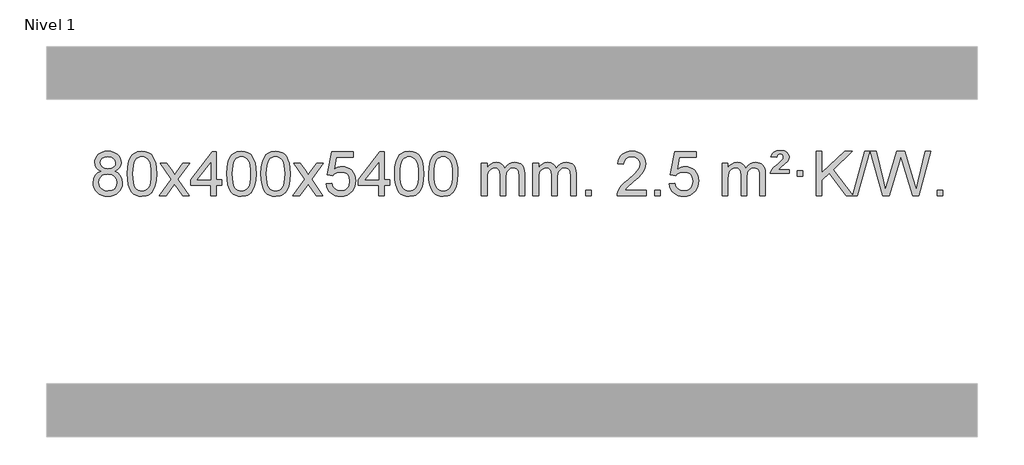
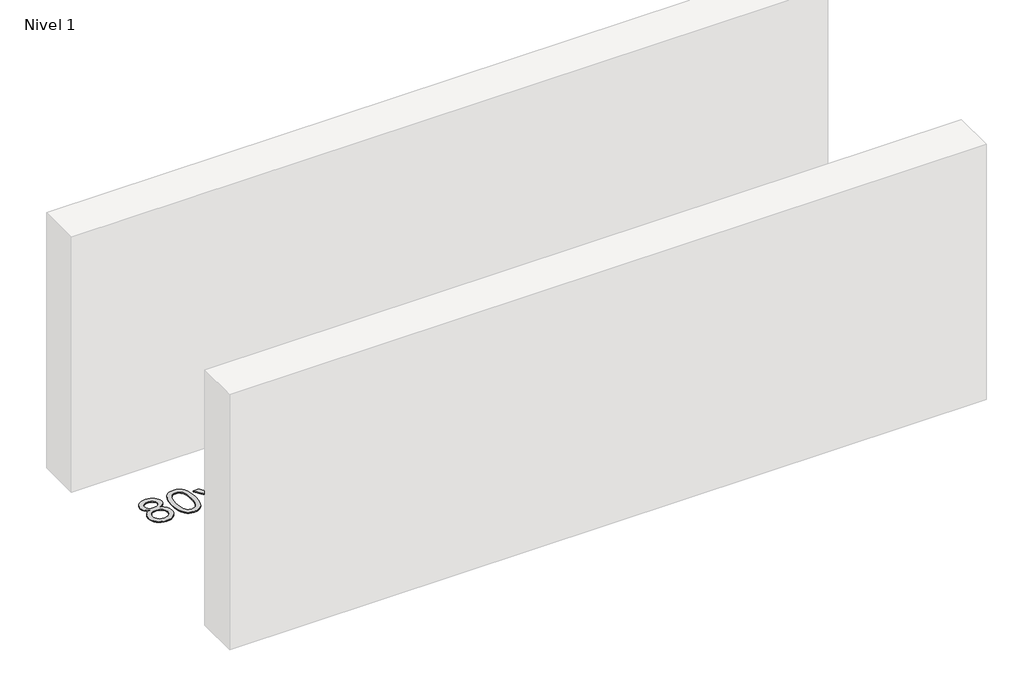
# One storey, part 13 of 15: 1 proxy.
"""IFC4 building model written with IfcOpenShell, lengths in millimetres."""

from ifc_helpers import new_model, si_unit, origin, origin_with_axes, place, context, project, spatial, polyline, outline, extrude, element, save

model = new_model("IFC4")

# Units and contexts
model_context = context("Model", 3, world=origin())
ifc_project = project(units=[si_unit("LENGTHUNIT", "METRE", prefix="MILLI")], contexts=[model_context])

# Site, building, storey
site = spatial("IfcSite", under=ifc_project)
building = spatial("IfcBuilding", under=site)
storey = spatial("IfcBuildingStorey", under=building, Name="Nivel 1", Elevation=0.0)

# Proxy
placement = place(None, origin())
element("IfcBuildingElementProxy", 1, Name="Texto de modelo 1", ObjectType="Texto de modelo 1", at=placement, inside=storey, context=model_context, shape_type="SweptSolid", body=[
    extrude(outline(polyline([(-25682.9857189, 5855.7383553), (-25709.8778927, 5868.9821071), (-25728.7502391, 5886.9347485), (-25739.8970635, 5909.2283974), (-25743.6126717, 5935.4951719), (-25741.5893207, 5955.9800676), (-25735.5192678, 5974.7604435), (-25725.4025129, 5991.8362994), (-25711.2390561, 6007.2076355), (-25693.709479, 6019.911827), (-25673.4943634, 6028.9862496), (-25650.5937092, 6034.4309031), (-25625.0075164, 6036.2457876), (-25599.2986964, 6034.3879835), (-25576.2263639, 6028.8145713), (-25555.7905191, 6019.5255509), (-25537.9911619, 6006.5209224), (-25523.5701876, 5990.8491494), (-25513.2694918, 5973.5586956), (-25507.0890743, 5954.6495611), (-25505.0289351, 5934.1217457), (-25508.6954923, 5908.7010999), (-25519.695164, 5886.7875957), (-25538.1505774, 5868.9453189), (-25564.1843599, 5855.7383553), (-25533.2700096, 5839.8090649), (-25510.7678942, 5816.3504564), (-25497.0458958, 5786.4907011), (-25492.4718963, 5751.3579705), (-25494.740502, 5726.3052067), (-25501.5463189, 5703.3371074), (-25512.8893471, 5682.4536728), (-25528.7695865, 5663.6549029), (-25548.3531714, 5648.11802), (-25570.8062358, 5637.0202464), (-25596.1287798, 5630.3615823), (-25624.3208034, 5628.1420276), (-25652.512827, 5630.3707794), (-25677.835371, 5637.0570346), (-25700.2884354, 5648.2007934), (-25719.8720203, 5663.8020557), (-25735.7522597, 5682.73265), (-25747.0952879, 5703.864405), (-25753.9011048, 5727.1973205), (-25756.1697105, 5752.7313967), (-25751.41177, 5789.2252906), (-25737.1379486, 5819.2444614), (-25714.0840102, 5841.7588395), (-25682.9857189, 5855.7383553)]), holes=[polyline([(-25693.3845166, 5934.0236439), (-25688.9331445, 5912.097877), (-25675.5790281, 5894.586694), (-25653.7145748, 5883.1087757), (-25623.7321922, 5879.282803), (-25594.4487854, 5883.0842503), (-25572.9154259, 5894.4885921), (-25559.6716741, 5911.4111639), (-25555.2570902, 5931.767301), (-25559.8188269, 5952.8959902), (-25573.5040371, 5970.370385), (-25595.3317022, 5982.1058206), (-25624.3208034, 5986.0176325), (-25653.4938456, 5982.1916598), (-25675.2847225, 5970.7137415), (-25688.8595681, 5953.8892716), (-25693.3845166, 5934.0236439)]), polyline([(-25705.9415554, 5754.4972302), (-25703.844628, 5735.2815274), (-25697.5538459, 5716.6789611), (-25685.9410376, 5700.4553651), (-25667.8780316, 5688.376573), (-25646.2465703, 5680.8717803), (-25623.9283959, 5678.3701827), (-25589.7398958, 5683.6308952), (-25575.8462192, 5690.2067859), (-25564.086258, 5699.4130328), (-25548.0466031, 5723.3130998), (-25542.7000514, 5752.9276004), (-25548.2182813, 5783.0448731), (-25564.7729711, 5807.4722375), (-25576.8517633, 5816.9145421), (-25591.0152201, 5823.6590453), (-25625.5961276, 5829.0546479), (-25659.3063811, 5823.7326217), (-25673.043708, 5817.080089), (-25684.7025015, 5807.7665431), (-25700.6317919, 5783.8051625), (-25705.9415554, 5754.4972302)])]), origin_with_axes(), (0.0, 0.0, 1.0), 10.0),
    extrude(outline(polyline([(-25448.5222606, 5832.0958057), (-25444.8311779, 5896.4138412), (-25433.7579299, 5947.7088541), (-25415.4128811, 5986.7656593), (-25403.5548181, 6001.9990395), (-25389.9063961, 6014.3690716), (-25374.4216298, 6023.9401349), (-25357.0545339, 6030.7766086), (-25316.6733536, 6036.2457876), (-25285.722215, 6033.008426), (-25258.0084381, 6023.2963414), (-25234.8318724, 6007.4896783), (-25217.4923677, 5985.9685816), (-25204.3957686, 5958.9169922), (-25193.94792, 5926.5188512), (-25187.1053149, 5885.3773814), (-25184.8244465, 5832.0958057), (-25188.478741, 5768.1456523), (-25199.4416244, 5716.9732667), (-25217.6763087, 5677.8796734), (-25229.5067805, 5662.6003078), (-25243.1460055, 5650.1658964), (-25258.6491659, 5640.5304538), (-25276.071444, 5633.6479948), (-25316.6733536, 5628.1420276), (-25344.3380796, 5630.5332606), (-25368.8635459, 5637.7069595), (-25390.2497526, 5649.6631243), (-25408.4966996, 5666.4017551), (-25426.0078825, 5696.6600492), (-25438.5158704, 5734.3618224), (-25446.0206631, 5779.5070745), (-25448.5222606, 5832.0958057)]), holes=[polyline([(-25398.2941056, 5832.1939076), (-25396.8225776, 5788.5293805), (-25392.4079936, 5753.1851178), (-25385.0503537, 5726.1611196), (-25374.7496579, 5707.4573858), (-25362.290721, 5694.7317344), (-25348.4583579, 5685.6419835), (-25333.2525688, 5680.1881329), (-25316.6733536, 5678.3701827), (-25300.0941383, 5680.1942643), (-25284.8883492, 5685.6665089), (-25271.0559862, 5694.7869167), (-25258.5970493, 5707.5554876), (-25248.2963534, 5726.2898783), (-25240.9387135, 5753.3077451), (-25236.5241295, 5788.6090882), (-25235.0526016, 5832.1939076), (-25236.4750786, 5874.7026722), (-25240.7425098, 5909.4246011), (-25247.854895, 5936.3596945), (-25257.8122343, 5955.5079524), (-25270.0627048, 5968.8559375), (-25284.0544833, 5978.3902125), (-25299.78757, 5984.1107775), (-25317.2619648, 5986.0176325), (-25333.7553409, 5984.3376381), (-25348.7036126, 5979.2976548), (-25362.10678, 5970.8976825), (-25373.9648429, 5959.1377214), (-25384.6088953, 5938.291075), (-25392.2117899, 5910.1848906), (-25396.7735266, 5874.8191681), (-25398.2941056, 5832.1939076)])]), origin_with_axes(), (0.0, 0.0, 1.0), 10.0),
    extrude(outline(polyline([(-25159.7103689, 5634.420547), (-25052.3869282, 5782.7505675), (-25153.4318496, 5929.5109581), (-25093.0011005, 5929.5109581), (-25044.2444734, 5858.877615), (-25021.4848406, 5825.5229808), (-25001.7663657, 5852.7952993), (-24946.2407099, 5929.5109581), (-24885.8099608, 5929.5109581), (-24991.9561791, 5782.7505675), (-24889.7340354, 5634.420547), (-24950.1647845, 5634.420547), (-25011.6746541, 5723.5951426), (-25022.9563686, 5739.8800523), (-25099.2796199, 5634.420547), (-25159.7103689, 5634.420547)])), origin_with_axes(), (0.0, 0.0, 1.0), 10.0),
    extrude(outline(polyline([(-24695.0999345, 5634.420547), (-24695.0999345, 5728.5983378), (-24877.1769967, 5728.5983378), (-24877.1769967, 5778.8264928), (-24682.5428957, 6029.9672682), (-24644.8717794, 6029.9672682), (-24644.8717794, 5778.8264928), (-24594.6436244, 5778.8264928), (-24594.6436244, 5728.5983378), (-24644.8717794, 5728.5983378), (-24644.8717794, 5634.420547), (-24695.0999345, 5634.420547)]), holes=[polyline([(-24695.0999345, 5778.8264928), (-24695.0999345, 5934.0236439), (-24815.3728215, 5778.8264928), (-24695.0999345, 5778.8264928)])]), origin_with_axes(), (0.0, 0.0, 1.0), 10.0),
    extrude(outline(polyline([(-24550.6939887, 5832.0958057), (-24547.002906, 5896.4138412), (-24535.9296579, 5947.7088541), (-24517.5846091, 5986.7656593), (-24505.7265461, 6001.9990395), (-24492.0781241, 6014.3690716), (-24476.5933578, 6023.9401349), (-24459.2262619, 6030.7766086), (-24418.8450816, 6036.2457876), (-24387.8939431, 6033.008426), (-24360.1801661, 6023.2963414), (-24337.0036004, 6007.4896783), (-24319.6640957, 5985.9685816), (-24306.5674967, 5958.9169922), (-24296.119648, 5926.5188512), (-24289.2770429, 5885.3773814), (-24286.9961745, 5832.0958057), (-24290.650469, 5768.1456523), (-24301.6133525, 5716.9732667), (-24319.8480367, 5677.8796734), (-24331.6785085, 5662.6003078), (-24345.3177335, 5650.1658964), (-24360.8208939, 5640.5304538), (-24378.2431721, 5633.6479948), (-24418.8450816, 5628.1420276), (-24446.5098076, 5630.5332606), (-24471.035274, 5637.7069595), (-24492.4214806, 5649.6631243), (-24510.6684276, 5666.4017551), (-24528.1796106, 5696.6600492), (-24540.6875984, 5734.3618224), (-24548.1923911, 5779.5070745), (-24550.6939887, 5832.0958057)]), holes=[polyline([(-24500.4658336, 5832.1939076), (-24498.9943056, 5788.5293805), (-24494.5797217, 5753.1851178), (-24487.2220818, 5726.1611196), (-24476.9213859, 5707.4573858), (-24464.462449, 5694.7317344), (-24450.630086, 5685.6419835), (-24435.4242968, 5680.1881329), (-24418.8450816, 5678.3701827), (-24402.2658663, 5680.1942643), (-24387.0600772, 5685.6665089), (-24373.2277142, 5694.7869167), (-24360.7687773, 5707.5554876), (-24350.4680814, 5726.2898783), (-24343.1104415, 5753.3077451), (-24338.6958576, 5788.6090882), (-24337.2243296, 5832.1939076), (-24338.6468066, 5874.7026722), (-24342.9142378, 5909.4246011), (-24350.026623, 5936.3596945), (-24359.9839624, 5955.5079524), (-24372.2344328, 5968.8559375), (-24386.2262114, 5978.3902125), (-24401.959298, 5984.1107775), (-24419.4336928, 5986.0176325), (-24435.9270689, 5984.3376381), (-24450.8753406, 5979.2976548), (-24464.278508, 5970.8976825), (-24476.136571, 5959.1377214), (-24486.7806234, 5938.291075), (-24494.3835179, 5910.1848906), (-24498.9452547, 5874.8191681), (-24500.4658336, 5832.1939076)])]), origin_with_axes(), (0.0, 0.0, 1.0), 10.0),
    extrude(outline(polyline([(-24243.0465388, 5832.0958057), (-24239.3554561, 5896.4138412), (-24228.2822081, 5947.7088541), (-24209.9371593, 5986.7656593), (-24198.0790963, 6001.9990395), (-24184.4306743, 6014.3690716), (-24168.945908, 6023.9401349), (-24151.5788121, 6030.7766086), (-24111.1976318, 6036.2457876), (-24080.2464932, 6033.008426), (-24052.5327163, 6023.2963414), (-24029.3561506, 6007.4896783), (-24012.0166459, 5985.9685816), (-23998.9200468, 5958.9169922), (-23988.4721982, 5926.5188512), (-23981.6295931, 5885.3773814), (-23979.3487247, 5832.0958057), (-23983.0030192, 5768.1456523), (-23993.9659026, 5716.9732667), (-24012.2005869, 5677.8796734), (-24024.0310587, 5662.6003078), (-24037.6702837, 5650.1658964), (-24053.1734441, 5640.5304538), (-24070.5957222, 5633.6479948), (-24111.1976318, 5628.1420276), (-24138.8623578, 5630.5332606), (-24163.3878241, 5637.7069595), (-24184.7740308, 5649.6631243), (-24203.0209778, 5666.4017551), (-24220.5321607, 5696.6600492), (-24233.0401486, 5734.3618224), (-24240.5449413, 5779.5070745), (-24243.0465388, 5832.0958057)]), holes=[polyline([(-24192.8183838, 5832.1939076), (-24191.3468558, 5788.5293805), (-24186.9322718, 5753.1851178), (-24179.5746319, 5726.1611196), (-24169.2739361, 5707.4573858), (-24156.8149992, 5694.7317344), (-24142.9826361, 5685.6419835), (-24127.776847, 5680.1881329), (-24111.1976318, 5678.3701827), (-24094.6184165, 5680.1942643), (-24079.4126274, 5685.6665089), (-24065.5802644, 5694.7869167), (-24053.1213275, 5707.5554876), (-24042.8206316, 5726.2898783), (-24035.4629917, 5753.3077451), (-24031.0484077, 5788.6090882), (-24029.5768798, 5832.1939076), (-24030.9993568, 5874.7026722), (-24035.266788, 5909.4246011), (-24042.3791732, 5936.3596945), (-24052.3365125, 5955.5079524), (-24064.586983, 5968.8559375), (-24078.5787615, 5978.3902125), (-24094.3118482, 5984.1107775), (-24111.786243, 5986.0176325), (-24128.2796191, 5984.3376381), (-24143.2278908, 5979.2976548), (-24156.6310582, 5970.8976825), (-24168.4891211, 5959.1377214), (-24179.1331735, 5938.291075), (-24186.7360681, 5910.1848906), (-24191.2978048, 5874.8191681), (-24192.8183838, 5832.1939076)])]), origin_with_axes(), (0.0, 0.0, 1.0), 10.0),
    extrude(outline(polyline([(-23954.2346472, 5634.420547), (-23846.9112064, 5782.7505675), (-23947.9561278, 5929.5109581), (-23887.5253787, 5929.5109581), (-23838.7687516, 5858.877615), (-23816.0091188, 5825.5229808), (-23796.2906439, 5852.7952993), (-23740.7649881, 5929.5109581), (-23680.334239, 5929.5109581), (-23786.4804574, 5782.7505675), (-23684.2583136, 5634.420547), (-23744.6890627, 5634.420547), (-23806.1989323, 5723.5951426), (-23817.4806468, 5739.8800523), (-23893.8038981, 5634.420547), (-23954.2346472, 5634.420547)])), origin_with_axes(), (0.0, 0.0, 1.0), 10.0),
    extrude(outline(polyline([(-23652.8657167, 5741.1553765), (-23602.6375616, 5747.4338959), (-23593.4159863, 5717.2798351), (-23577.3272804, 5695.6851619), (-23554.4450203, 5682.6989275), (-23524.8427824, 5678.3701827), (-23505.7129186, 5679.8754332), (-23488.8393978, 5684.3911847), (-23474.2222198, 5691.9174372), (-23461.8613848, 5702.4541906), (-23452.0328042, 5715.480279), (-23445.0123894, 5730.4745359), (-23439.3960576, 5766.3675559), (-23444.6567702, 5800.1636486), (-23451.2326608, 5814.0818507), (-23460.4389078, 5826.0134901), (-23472.3061678, 5835.5845533), (-23486.8650977, 5842.4210271), (-23524.0579675, 5847.8902061), (-23548.4240183, 5845.7074396), (-23568.1547559, 5839.1591401), (-23583.9123681, 5829.1282243), (-23596.3590422, 5816.4976092), (-23646.5871973, 5822.7761285), (-23602.6375616, 6029.9672682), (-23408.0034607, 6029.9672682), (-23408.0034607, 5979.7391131), (-23562.0233894, 5979.7391131), (-23583.5076979, 5869.080209), (-23565.7819171, 5881.7844006), (-23547.6269406, 5890.8588231), (-23529.0427685, 5896.3034766), (-23510.0294007, 5898.1183612), (-23485.5683137, 5895.8681496), (-23463.0999209, 5889.117515), (-23442.6242221, 5877.8664573), (-23424.1412176, 5862.1149766), (-23408.8403923, 5842.8256973), (-23397.9112313, 5820.961244), (-23391.3537348, 5796.5216168), (-23389.1679026, 5769.5068156), (-23391.1360712, 5743.4852958), (-23397.0405773, 5719.2786606), (-23406.8814206, 5696.8869098), (-23420.6586013, 5676.3100435), (-23441.5297732, 5655.2365366), (-23465.8835613, 5640.1840316), (-23493.7199656, 5631.1525286), (-23525.0389861, 5628.1420276), (-23550.9593384, 5630.0764738), (-23574.3719617, 5635.8798123), (-23595.276856, 5645.552043), (-23613.6740215, 5659.0931662), (-23628.9809782, 5675.8287312), (-23640.6152463, 5695.084288), (-23648.5768258, 5716.8598364), (-23652.8657167, 5741.1553765)])), origin_with_axes(), (0.0, 0.0, 1.0), 10.0),
    extrude(outline(polyline([(-23181.9767629, 5634.420547), (-23181.9767629, 5728.5983378), (-23364.053825, 5728.5983378), (-23364.053825, 5778.8264928), (-23169.4197241, 6029.9672682), (-23131.7486078, 6029.9672682), (-23131.7486078, 5778.8264928), (-23081.5204527, 5778.8264928), (-23081.5204527, 5728.5983378), (-23131.7486078, 5728.5983378), (-23131.7486078, 5634.420547), (-23181.9767629, 5634.420547)]), holes=[polyline([(-23181.9767629, 5778.8264928), (-23181.9767629, 5934.0236439), (-23302.2496498, 5778.8264928), (-23181.9767629, 5778.8264928)])]), origin_with_axes(), (0.0, 0.0, 1.0), 10.0),
    extrude(outline(polyline([(-23037.570817, 5832.0958057), (-23033.8797344, 5896.4138412), (-23022.8064863, 5947.7088541), (-23004.4614375, 5986.7656593), (-22992.6033745, 6001.9990395), (-22978.9549525, 6014.3690716), (-22963.4701862, 6023.9401349), (-22946.1030903, 6030.7766086), (-22905.72191, 6036.2457876), (-22874.7707714, 6033.008426), (-22847.0569945, 6023.2963414), (-22823.8804288, 6007.4896783), (-22806.5409241, 5985.9685816), (-22793.444325, 5958.9169922), (-22782.9964764, 5926.5188512), (-22776.1538713, 5885.3773814), (-22773.8730029, 5832.0958057), (-22777.5272974, 5768.1456523), (-22788.4901808, 5716.9732667), (-22806.7248651, 5677.8796734), (-22818.5553369, 5662.6003078), (-22832.1945619, 5650.1658964), (-22847.6977223, 5640.5304538), (-22865.1200004, 5633.6479948), (-22905.72191, 5628.1420276), (-22933.386636, 5630.5332606), (-22957.9121024, 5637.7069595), (-22979.298309, 5649.6631243), (-22997.545256, 5666.4017551), (-23015.0564389, 5696.6600492), (-23027.5644268, 5734.3618224), (-23035.0692195, 5779.5070745), (-23037.570817, 5832.0958057)]), holes=[polyline([(-22987.342662, 5832.1939076), (-22985.871134, 5788.5293805), (-22981.45655, 5753.1851178), (-22974.0989101, 5726.1611196), (-22963.7982143, 5707.4573858), (-22951.3392774, 5694.7317344), (-22937.5069144, 5685.6419835), (-22922.3011252, 5680.1881329), (-22905.72191, 5678.3701827), (-22889.1426947, 5680.1942643), (-22873.9369056, 5685.6665089), (-22860.1045426, 5694.7869167), (-22847.6456057, 5707.5554876), (-22837.3449098, 5726.2898783), (-22829.9872699, 5753.3077451), (-22825.572686, 5788.6090882), (-22824.101158, 5832.1939076), (-22825.523635, 5874.7026722), (-22829.7910662, 5909.4246011), (-22836.9034514, 5936.3596945), (-22846.8607907, 5955.5079524), (-22859.1112612, 5968.8559375), (-22873.1030397, 5978.3902125), (-22888.8361264, 5984.1107775), (-22906.3105212, 5986.0176325), (-22922.8038973, 5984.3376381), (-22937.752169, 5979.2976548), (-22951.1553364, 5970.8976825), (-22963.0133993, 5959.1377214), (-22973.6574517, 5938.291075), (-22981.2603463, 5910.1848906), (-22985.8220831, 5874.8191681), (-22987.342662, 5832.1939076)])]), origin_with_axes(), (0.0, 0.0, 1.0), 10.0),
    extrude(outline(polyline([(-22729.9233672, 5832.0958057), (-22726.2322845, 5896.4138412), (-22715.1590365, 5947.7088541), (-22696.8139876, 5986.7656593), (-22684.9559247, 6001.9990395), (-22671.3075026, 6014.3690716), (-22655.8227363, 6023.9401349), (-22638.4556405, 6030.7766086), (-22598.0744601, 6036.2457876), (-22567.1233216, 6033.008426), (-22539.4095446, 6023.2963414), (-22516.2329789, 6007.4896783), (-22498.8934742, 5985.9685816), (-22485.7968752, 5958.9169922), (-22475.3490265, 5926.5188512), (-22468.5064214, 5885.3773814), (-22466.2255531, 5832.0958057), (-22469.8798475, 5768.1456523), (-22480.842731, 5716.9732667), (-22499.0774152, 5677.8796734), (-22510.9078871, 5662.6003078), (-22524.547112, 5650.1658964), (-22540.0502724, 5640.5304538), (-22557.4725506, 5633.6479948), (-22598.0744601, 5628.1420276), (-22625.7391862, 5630.5332606), (-22650.2646525, 5637.7069595), (-22671.6508592, 5649.6631243), (-22689.8978061, 5666.4017551), (-22707.4089891, 5696.6600492), (-22719.9169769, 5734.3618224), (-22727.4217696, 5779.5070745), (-22729.9233672, 5832.0958057)]), holes=[polyline([(-22679.6952121, 5832.1939076), (-22678.2236842, 5788.5293805), (-22673.8091002, 5753.1851178), (-22666.4514603, 5726.1611196), (-22656.1507644, 5707.4573858), (-22643.6918275, 5694.7317344), (-22629.8594645, 5685.6419835), (-22614.6536754, 5680.1881329), (-22598.0744601, 5678.3701827), (-22581.4952449, 5680.1942643), (-22566.2894558, 5685.6665089), (-22552.4570927, 5694.7869167), (-22539.9981558, 5707.5554876), (-22529.69746, 5726.2898783), (-22522.3398201, 5753.3077451), (-22517.9252361, 5788.6090882), (-22516.4537081, 5832.1939076), (-22517.8761852, 5874.7026722), (-22522.1436163, 5909.4246011), (-22529.2560016, 5936.3596945), (-22539.2133409, 5955.5079524), (-22551.4638113, 5968.8559375), (-22565.4555899, 5978.3902125), (-22581.1886766, 5984.1107775), (-22598.6630713, 5986.0176325), (-22615.1564474, 5984.3376381), (-22630.1047192, 5979.2976548), (-22643.5078865, 5970.8976825), (-22655.3659495, 5959.1377214), (-22666.0100019, 5938.291075), (-22673.6128965, 5910.1848906), (-22678.1746332, 5874.8191681), (-22679.6952121, 5832.1939076)])]), origin_with_axes(), (0.0, 0.0, 1.0), 10.0),
    extrude(outline(polyline([(-22252.755894, 5634.420547), (-22252.755894, 5929.5109581), (-22202.5277389, 5929.5109581), (-22202.5277389, 5880.9505347), (-22187.4200517, 5903.2564464), (-22167.9958823, 5920.7308411), (-22144.9174185, 5932.0248184), (-22118.8468478, 5935.7894775), (-22090.9123416, 5931.951242), (-22068.5205908, 5920.4365355), (-22051.7942228, 5902.0056476), (-22040.8558648, 5877.4188676), (-22022.5476041, 5902.9560094), (-22001.6641696, 5921.196825), (-21978.205561, 5932.1413143), (-21952.1717785, 5935.7894775), (-21932.0639617, 5934.2719642), (-21914.414823, 5929.7194245), (-21899.2243623, 5922.1318584), (-21886.4925796, 5911.5092658), (-21876.4279413, 5897.7290194), (-21869.238914, 5880.6684918), (-21864.9254976, 5860.3276832), (-21863.4876922, 5836.7065934), (-21863.4876922, 5634.420547), (-21913.7158472, 5634.420547), (-21913.7158472, 5815.124183), (-21914.8808069, 5840.1769469), (-21918.3756858, 5857.0627305), (-21924.9239854, 5868.6264879), (-21935.2492067, 5877.7131732), (-21948.5297467, 5883.5992851), (-21963.9440023, 5885.5613224), (-21991.1550072, 5880.5336018), (-22013.3382915, 5865.45044), (-22021.9436645, 5853.8805512), (-22028.0903595, 5839.2817674), (-22033.0077155, 5800.9975144), (-22033.0077155, 5634.420547), (-22083.2358706, 5634.420547), (-22083.2358706, 5820.7159894), (-22086.1421384, 5849.1164794), (-22094.8609417, 5869.3745146), (-22110.2016209, 5881.5146204), (-22132.9735164, 5885.5613224), (-22152.3241093, 5882.8635211), (-22170.1541233, 5874.7701172), (-22184.8694032, 5861.4773144), (-22194.8757934, 5843.1813165), (-22200.6147525, 5817.7974589), (-22202.5277389, 5783.2410768), (-22202.5277389, 5634.420547), (-22252.755894, 5634.420547)])), origin_with_axes(), (0.0, 0.0, 1.0), 10.0),
    extrude(outline(polyline([(-21788.1454596, 5634.420547), (-21788.1454596, 5929.5109581), (-21737.9173045, 5929.5109581), (-21737.9173045, 5880.9505347), (-21722.8096172, 5903.2564464), (-21703.3854479, 5920.7308411), (-21680.306984, 5932.0248184), (-21654.2364133, 5935.7894775), (-21626.3019071, 5931.951242), (-21603.9101564, 5920.4365355), (-21587.1837883, 5902.0056476), (-21576.2454303, 5877.4188676), (-21557.9371697, 5902.9560094), (-21537.0537351, 5921.196825), (-21513.5951266, 5932.1413143), (-21487.561344, 5935.7894775), (-21467.4535273, 5934.2719642), (-21449.8043886, 5929.7194245), (-21434.6139279, 5922.1318584), (-21421.8821452, 5911.5092658), (-21411.8175069, 5897.7290194), (-21404.6284796, 5880.6684918), (-21400.3150632, 5860.3276832), (-21398.8772577, 5836.7065934), (-21398.8772577, 5634.420547), (-21449.1054128, 5634.420547), (-21449.1054128, 5815.124183), (-21450.2703724, 5840.1769469), (-21453.7652514, 5857.0627305), (-21460.3135509, 5868.6264879), (-21470.6387722, 5877.7131732), (-21483.9193123, 5883.5992851), (-21499.3335679, 5885.5613224), (-21526.5445728, 5880.5336018), (-21548.7278571, 5865.45044), (-21557.3332301, 5853.8805512), (-21563.4799251, 5839.2817674), (-21568.3972811, 5800.9975144), (-21568.3972811, 5634.420547), (-21618.6254362, 5634.420547), (-21618.6254362, 5820.7159894), (-21621.5317039, 5849.1164794), (-21630.2505072, 5869.3745146), (-21645.5911864, 5881.5146204), (-21668.3630819, 5885.5613224), (-21687.7136749, 5882.8635211), (-21705.5436889, 5874.7701172), (-21720.2589687, 5861.4773144), (-21730.265359, 5843.1813165), (-21736.0043181, 5817.7974589), (-21737.9173045, 5783.2410768), (-21737.9173045, 5634.420547), (-21788.1454596, 5634.420547)])), origin_with_axes(), (0.0, 0.0, 1.0), 10.0),
    extrude(outline(polyline([(-21310.9779863, 5634.420547), (-21310.9779863, 5684.6487021), (-21260.7498313, 5684.6487021), (-21260.7498313, 5634.420547), (-21310.9779863, 5634.420547)])), origin_with_axes(), (0.0, 0.0, 1.0), 10.0),
    extrude(outline(polyline([(-20764.7467999, 5684.6487021), (-20764.7467999, 5634.420547), (-21028.444614, 5634.420547), (-21027.3409681, 5652.1034082), (-21023.0490115, 5669.0505055), (-21010.6636509, 5696.1143576), (-20992.5393313, 5722.3688693), (-20966.3216078, 5749.8496544), (-20929.6560356, 5780.5923264), (-20875.454755, 5828.7358169), (-20842.9339866, 5864.2732176), (-20826.6736024, 5893.115166), (-20821.2534744, 5921.1722995), (-20826.3670341, 5946.3231653), (-20841.7077133, 5967.2311253), (-20865.2889492, 5981.3210057), (-20895.124179, 5986.0176325), (-20926.4554623, 5981.4313703), (-20950.7969876, 5967.6725837), (-20966.5055488, 5945.8203932), (-20971.9379396, 5916.9539193), (-21022.1660947, 5923.2324387), (-21017.8465469, 5949.161988), (-21009.9892006, 5971.8173875), (-20998.5940558, 5991.1986373), (-20983.6611125, 6007.3057373), (-20965.5337272, 6019.9670093), (-20944.5552564, 6029.010775), (-20920.7257002, 6034.4370345), (-20894.0450585, 6036.2457876), (-20867.1252935, 6034.2346994), (-20843.1669785, 6028.2014346), (-20822.1701137, 6018.1459934), (-20804.1346989, 6004.0683758), (-20789.6493453, 5987.0109139), (-20779.3026642, 5968.0159402), (-20773.0946555, 5947.0834547), (-20771.0253193, 5924.2134573), (-20773.2571367, 5900.1907631), (-20779.952589, 5876.5850017), (-20791.8351775, 5852.5745701), (-20809.6284033, 5827.3378653), (-20837.9921051, 5797.2083299), (-20881.5861216, 5758.5194067), (-20939.3681203, 5710.204238), (-20962.0296512, 5684.6487021), (-20764.7467999, 5684.6487021)])), origin_with_axes(), (0.0, 0.0, 1.0), 10.0),
    extrude(outline(polyline([(-20689.4045673, 5634.420547), (-20689.4045673, 5684.6487021), (-20639.1764122, 5684.6487021), (-20639.1764122, 5634.420547), (-20689.4045673, 5634.420547)])), origin_with_axes(), (0.0, 0.0, 1.0), 10.0),
    extrude(outline(polyline([(-20557.5556602, 5741.1553765), (-20507.3275051, 5747.4338959), (-20498.1059298, 5717.2798351), (-20482.0172239, 5695.6851619), (-20459.1349638, 5682.6989275), (-20429.5327259, 5678.3701827), (-20410.4028621, 5679.8754332), (-20393.5293413, 5684.3911847), (-20378.9121634, 5691.9174372), (-20366.5513283, 5702.4541906), (-20356.7227477, 5715.480279), (-20349.7023329, 5730.4745359), (-20344.0860012, 5766.3675559), (-20349.3467137, 5800.1636486), (-20355.9226043, 5814.0818507), (-20365.1288513, 5826.0134901), (-20376.9961113, 5835.5845533), (-20391.5550413, 5842.4210271), (-20428.747911, 5847.8902061), (-20453.1139618, 5845.7074396), (-20472.8446995, 5839.1591401), (-20488.6023116, 5829.1282243), (-20501.0489858, 5816.4976092), (-20551.2771408, 5822.7761285), (-20507.3275051, 6029.9672682), (-20312.6934042, 6029.9672682), (-20312.6934042, 5979.7391131), (-20466.7133329, 5979.7391131), (-20488.1976414, 5869.080209), (-20470.4718606, 5881.7844006), (-20452.3168841, 5890.8588231), (-20433.732712, 5896.3034766), (-20414.7193442, 5898.1183612), (-20390.2582572, 5895.8681496), (-20367.7898644, 5889.117515), (-20347.3141657, 5877.8664573), (-20328.8311611, 5862.1149766), (-20313.5303358, 5842.8256973), (-20302.6011748, 5820.961244), (-20296.0436783, 5796.5216168), (-20293.8578461, 5769.5068156), (-20295.8260148, 5743.4852958), (-20301.7305208, 5719.2786606), (-20311.5713641, 5696.8869098), (-20325.3485449, 5676.3100435), (-20346.2197167, 5655.2365366), (-20370.5735048, 5640.1840316), (-20398.4099091, 5631.1525286), (-20429.7289296, 5628.1420276), (-20455.6492819, 5630.0764738), (-20479.0619052, 5635.8798123), (-20499.9667996, 5645.552043), (-20518.363965, 5659.0931662), (-20533.6709217, 5675.8287312), (-20545.3051898, 5695.084288), (-20553.2667693, 5716.8598364), (-20557.5556602, 5741.1553765)])), origin_with_axes(), (0.0, 0.0, 1.0), 10.0),
    extrude(outline(polyline([(-20080.388187, 5634.420547), (-20080.388187, 5929.5109581), (-20030.1600319, 5929.5109581), (-20030.1600319, 5880.9505347), (-20015.0523447, 5903.2564464), (-19995.6281753, 5920.7308411), (-19972.5497115, 5932.0248184), (-19946.4791408, 5935.7894775), (-19918.5446346, 5931.951242), (-19896.1528838, 5920.4365355), (-19879.4265158, 5902.0056476), (-19868.4881578, 5877.4188676), (-19850.1798972, 5902.9560094), (-19829.2964626, 5921.196825), (-19805.837854, 5932.1413143), (-19779.8040715, 5935.7894775), (-19759.6962548, 5934.2719642), (-19742.047116, 5929.7194245), (-19726.8566553, 5922.1318584), (-19714.1248726, 5911.5092658), (-19704.0602344, 5897.7290194), (-19696.871207, 5880.6684918), (-19692.5577906, 5860.3276832), (-19691.1199852, 5836.7065934), (-19691.1199852, 5634.420547), (-19741.3481403, 5634.420547), (-19741.3481403, 5815.124183), (-19742.5130999, 5840.1769469), (-19746.0079789, 5857.0627305), (-19752.5562784, 5868.6264879), (-19762.8814997, 5877.7131732), (-19776.1620397, 5883.5992851), (-19791.5762953, 5885.5613224), (-19818.7873002, 5880.5336018), (-19840.9705845, 5865.45044), (-19849.5759576, 5853.8805512), (-19855.7226526, 5839.2817674), (-19860.6400086, 5800.9975144), (-19860.6400086, 5634.420547), (-19910.8681636, 5634.420547), (-19910.8681636, 5820.7159894), (-19913.7744314, 5849.1164794), (-19922.4932347, 5869.3745146), (-19937.8339139, 5881.5146204), (-19960.6058094, 5885.5613224), (-19979.9564023, 5882.8635211), (-19997.7864164, 5874.7701172), (-20012.5016962, 5861.4773144), (-20022.5080864, 5843.1813165), (-20028.2470456, 5817.7974589), (-20030.1600319, 5783.2410768), (-20030.1600319, 5634.420547), (-20080.388187, 5634.420547)])), origin_with_axes(), (0.0, 0.0, 1.0), 10.0),
    extrude(outline(polyline([(-19647.1703495, 5835.3331673), (-19643.3443767, 5851.1520931), (-19635.0057182, 5867.0200698), (-19613.4968842, 5892.1586728), (-19581.5402016, 5919.8969753), (-19537.3943621, 5957.273786), (-19530.2574514, 5968.8007552), (-19527.8784812, 5980.6220299), (-19529.7669421, 5992.7130848), (-19535.4323248, 6002.4987459), (-19544.801053, 6008.973469), (-19557.7995501, 6011.1317101), (-19570.2339616, 6009.5130293), (-19579.0876549, 6004.656987), (-19585.5133271, 5995.1901569), (-19590.663675, 5979.7391131), (-19640.8918301, 5986.0176325), (-19630.051574, 6011.2298119), (-19613.4233078, 6028.7900458), (-19589.6581309, 6039.0907417), (-19557.4071427, 6042.524307), (-19521.6244873, 6038.3917659), (-19496.8782917, 6025.9941427), (-19482.4573175, 6007.6613566), (-19477.6503261, 5985.7233269), (-19481.746079, 5962.8165414), (-19494.0333376, 5941.1850801), (-19514.561153, 5921.3685032), (-19551.0305214, 5893.3113697), (-19576.6351083, 5866.7257642), (-19477.6503261, 5866.7257642), (-19477.6503261, 5835.3331673), (-19647.1703495, 5835.3331673)])), origin_with_axes(), (0.0, 0.0, 1.0), 10.0),
    extrude(outline(polyline([(-19402.3080935, 5810.2190898), (-19402.3080935, 5860.4472448), (-19352.0799384, 5860.4472448), (-19352.0799384, 5810.2190898), (-19402.3080935, 5810.2190898)])), origin_with_axes(), (0.0, 0.0, 1.0), 10.0),
    extrude(outline(polyline([(-18961.4383105, 5634.420547), (-19114.8696279, 5837.0990009), (-19182.559915, 5772.5479735), (-19182.559915, 5634.420547), (-19232.7880701, 5634.420547), (-19232.7880701, 6036.2457876), (-19182.559915, 6036.2457876), (-19182.559915, 5839.5515475), (-18976.5459977, 6036.2457876), (-18906.3050621, 6036.2457876), (-19079.2586508, 5871.0422463), (-18904.6050409, 5640.4650668), (-18793.2917132, 6036.2457876), (-18747.9686514, 6036.2457876), (-18860.9820003, 5634.420547), (-18900.0265428, 5634.420547), (-18906.3050621, 5634.420547), (-18961.4383105, 5634.420547)])), origin_with_axes(), (0.0, 0.0, 1.0), 10.0),
    extrude(outline(polyline([(-18633.4837745, 5634.420547), (-18743.0635581, 6036.2457876), (-18691.2657732, 6036.2457876), (-18627.6957645, 5772.155566), (-18608.0753914, 5690.6329159), (-18587.0815922, 5762.7377869), (-18507.4228775, 6036.2457876), (-18432.7673579, 6036.2457876), (-18374.8872574, 5837.9819177), (-18350.0920109, 5764.4055186), (-18331.8205385, 5690.6329159), (-18312.7887766, 5769.8011212), (-18248.6301566, 6036.2457876), (-18196.8323717, 6036.2457876), (-18306.5102572, 5634.420547), (-18360.1719776, 5634.420547), (-18456.5080094, 5944.4224416), (-18469.9479649, 5987.6853642), (-18485.0556522, 5935.5932737), (-18572.8568217, 5634.420547), (-18633.4837745, 5634.420547)])), origin_with_axes(), (0.0, 0.0, 1.0), 10.0),
    extrude(outline(polyline([(-18140.3256972, 5634.420547), (-18140.3256972, 5684.6487021), (-18090.0975422, 5684.6487021), (-18090.0975422, 5634.420547), (-18140.3256972, 5634.420547)])), origin_with_axes(), (0.0, 0.0, 1.0), 10.0),
])

save(model, "model.ifc")
